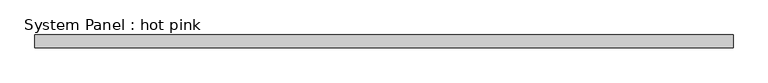
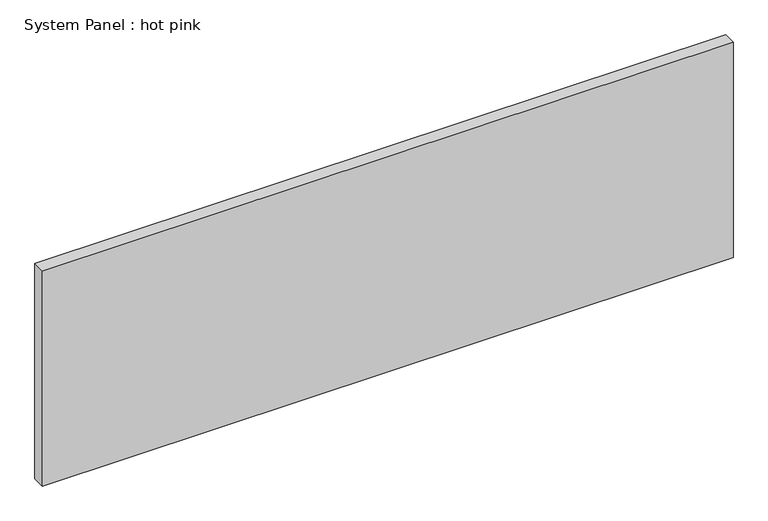
"""IFC4 building model written with IfcOpenShell, lengths in millimetres: plate geometry, System Panel : hot pink."""

import ifcopenshell
import ifcopenshell.guid

model = None  # the IFC model being written
_history = None  # IfcOwnerHistory: only IFC2X3 demands one
_inside = {}  # id of a spatial element -> (the spatial element, [elements in it])
_under = {}  # id of a project, library or spatial element -> (it, [spatial elements below it])
_declared = {}  # id of a project -> (the project, [libraries it declares])
_typed = {}  # id of a type object -> (the type object, [elements of that type])
_made_of = {}  # id of a material, layer set ... -> (it, [elements and type objects made of it])


def new_model(schema):
    """Start an empty IFC model of exactly this schema.

    Asked for "IFC4X3", IfcOpenShell would pick the latest addendum, in which some entities
    have other attributes; the version numbers below select the first issue.
    IFC2X3 requires an IfcOwnerHistory on every rooted entity: one is made here for all.
    """
    global model, _history
    if schema == "IFC4X3":
        model = ifcopenshell.file(schema_version=(4, 3, 0, 0))
    else:
        model = ifcopenshell.file(schema=schema)
    _inside.clear()
    _under.clear()
    _declared.clear()
    _typed.clear()
    _made_of.clear()
    _history = None
    if model.schema == "IFC2X3":
        org = make("IfcOrganization", Name="unknown")
        user = make(
            "IfcPersonAndOrganization",
            ThePerson=make("IfcPerson", FamilyName="unknown"),
            TheOrganization=org,
        )
        app = make(
            "IfcApplication",
            ApplicationDeveloper=org,
            Version="unknown",
            ApplicationFullName="unknown",
            ApplicationIdentifier="unknown",
        )
        _history = make(
            "IfcOwnerHistory",
            OwningUser=user,
            OwningApplication=app,
            ChangeAction="ADDED",
            CreationDate=0,
        )
    return model


def make(cls, **values):
    """One entity of the class cls with the attributes given. An attribute that is None is left unset."""
    return model.create_entity(
        cls, **{name: value for name, value in values.items() if value is not None}
    )


def rooted(cls, **values):
    """An entity with a GlobalId (a new one), such as an element, a storey or a relation."""
    return make(cls, GlobalId=ifcopenshell.guid.new(), OwnerHistory=_history, **values)


def si_unit(unit_type, name, prefix=None):
    """IfcSIUnit, for example si_unit("LENGTHUNIT", "METRE", prefix="MILLI")."""
    return make("IfcSIUnit", UnitType=unit_type, Prefix=prefix, Name=name)


def assignment(units):
    """IfcUnitAssignment: the units of a project."""
    return None if units is None else make("IfcUnitAssignment", Units=units)


def point(xyz):
    """IfcCartesianPoint."""
    return None if xyz is None else make("IfcCartesianPoint", Coordinates=xyz)


def direction(xyz):
    """IfcDirection."""
    return None if xyz is None else make("IfcDirection", DirectionRatios=xyz)


def frame(location, z_axis=None, x_axis=None):
    """IfcAxis2Placement3D, a coordinate frame: its origin and axes. An axis left out is left unset."""
    return make(
        "IfcAxis2Placement3D",
        Location=point(location),
        Axis=direction(z_axis),
        RefDirection=direction(x_axis),
    )


def origin():
    """The frame at (0, 0, 0) with its axes left unset."""
    return frame((0.0, 0.0, 0.0))


def origin_with_axes():
    """The frame at (0, 0, 0) with the z axis (0, 0, 1) and the x axis (1, 0, 0) written out."""
    return frame((0.0, 0.0, 0.0), z_axis=(0.0, 0.0, 1.0), x_axis=(1.0, 0.0, 0.0))


def place(relative_to, where):
    """IfcLocalPlacement: puts the frame where relative to a parent placement (None: the world)."""
    return make(
        "IfcLocalPlacement", PlacementRelTo=relative_to, RelativePlacement=where
    )


def context(
    kind, dimensions, precision=None, world=None, true_north=None, identifier=None
):
    """IfcGeometricRepresentationContext, for example the 3D "Model" context."""
    return make(
        "IfcGeometricRepresentationContext",
        ContextIdentifier=identifier,
        ContextType=kind,
        CoordinateSpaceDimension=dimensions,
        Precision=precision,
        WorldCoordinateSystem=world,
        TrueNorth=true_north,
    )


def project(units=None, contexts=None):
    """IfcProject with its units and contexts."""
    return rooted(
        "IfcProject",
        Name="project",
        RepresentationContexts=contexts,
        UnitsInContext=assignment(units),
    )


def spatial(cls, under=None, at=None, **own):
    """A site, building, storey or space (cls), placed at a placement, below another one or the project."""
    s = rooted(cls, ObjectPlacement=at, **own)
    if under is not None:
        _under.setdefault(under.id(), (under, []))[1].append(s)
    return s


def polyline(points):
    """IfcPolyline through the points."""
    return make("IfcPolyline", Points=[point(p) for p in points])


def outline(outer, holes=None, kind="AREA"):
    """IfcArbitraryClosedProfileDef: a profile drawn as a closed curve; with holes, ...WithVoids."""
    if holes is None:
        return make("IfcArbitraryClosedProfileDef", ProfileType=kind, OuterCurve=outer)
    return make(
        "IfcArbitraryProfileDefWithVoids",
        ProfileType=kind,
        OuterCurve=outer,
        InnerCurves=holes,
    )


def extrude(swept, where, along, depth):
    """IfcExtrudedAreaSolid: the profile swept, set in the frame where, extruded along a direction by depth."""
    return make(
        "IfcExtrudedAreaSolid",
        SweptArea=swept,
        Position=where,
        ExtrudedDirection=direction(along),
        Depth=depth,
    )


def shape(context_of_items, identifier, shape_type, items):
    """IfcShapeRepresentation: the items that make up one representation, for example the "Body"."""
    return make(
        "IfcShapeRepresentation",
        ContextOfItems=context_of_items,
        RepresentationIdentifier=identifier,
        RepresentationType=shape_type,
        Items=items,
    )


def source(mapping_origin, context_of_items, identifier, shape_type, items):
    """IfcRepresentationMap: a shape defined once, which mapped items show again and again."""
    return make(
        "IfcRepresentationMap",
        MappingOrigin=mapping_origin,
        MappedRepresentation=shape(context_of_items, identifier, shape_type, items),
    )


def transform(
    local_origin,
    x_axis=None,
    y_axis=None,
    z_axis=None,
    scale=None,
    scale2=None,
    scale3=None,
    uniform=True,
):
    """IfcCartesianTransformationOperator3D, or its non-uniform kind. x_axis, y_axis, z_axis: its Axis1, 2, 3."""
    if uniform:
        return make(
            "IfcCartesianTransformationOperator3D",
            Axis1=direction(x_axis),
            Axis2=direction(y_axis),
            LocalOrigin=point(local_origin),
            Scale=scale,
            Axis3=direction(z_axis),
        )
    return make(
        "IfcCartesianTransformationOperator3DnonUniform",
        Axis1=direction(x_axis),
        Axis2=direction(y_axis),
        LocalOrigin=point(local_origin),
        Scale=scale,
        Axis3=direction(z_axis),
        Scale2=scale2,
        Scale3=scale3,
    )


def mapped(mapping_source, mapping_target):
    """IfcMappedItem: shows the shape of a source again, moved by a transform."""
    return make(
        "IfcMappedItem", MappingSource=mapping_source, MappingTarget=mapping_target
    )


def made_of(thing, what):
    """Note that an element or type object is made of a material, layer set ...; save() writes the relation."""
    if what is not None:
        _made_of.setdefault(what.id(), (what, []))[1].append(thing)
    return thing


def element(
    cls,
    number,
    at=None,
    inside=None,
    cuts=None,
    type_object=None,
    material=None,
    context=None,
    identifier="Body",
    shape_type=None,
    held_by="IfcProductDefinitionShape",
    body=None,
    shapes=None,
    **own,
):
    """One element of the class cls, such as IfcWall. Its Tag is "e" and its number.

    at: its placement. inside: the storey or other place that contains it. cuts: it is an
    opening in that element (IfcRelVoidsElement). A single representation is given by context,
    identifier, shape_type and body (its items); several are given by shapes. held_by: the class
    of the entity that holds the representations. save() writes the other relations.
    """
    e = rooted(cls, Tag="e%d" % number, ObjectPlacement=at, **own)
    if body is not None:
        shapes = [shape(context, identifier, shape_type, body)]
    if shapes is not None:
        e.Representation = make(held_by, Representations=shapes)
    if inside is not None:
        _inside.setdefault(inside.id(), (inside, []))[1].append(e)
    if cuts is not None:
        rooted(
            "IfcRelVoidsElement", RelatingBuildingElement=cuts, RelatedOpeningElement=e
        )
    if type_object is not None:
        _typed.setdefault(type_object.id(), (type_object, []))[1].append(e)
    return made_of(e, material)


def aggregate(whole, parts):
    """IfcRelAggregates: a whole, such as a stair, and the parts it consists of."""
    return rooted("IfcRelAggregates", RelatingObject=whole, RelatedObjects=parts)


def save(model, path):
    """Write the relations noted so far, then the file.

    IfcRelAggregates (storeys below a building ...), IfcRelContainedInSpatialStructure (elements
    in a storey), IfcRelDefinesByType, IfcRelAssociatesMaterial and IfcRelDeclares: one each for
    every whole, place, type object, material and project.
    """
    for whole, parts in _under.values():
        aggregate(whole, parts)
    for where, things in _inside.values():
        rooted(
            "IfcRelContainedInSpatialStructure",
            RelatedElements=things,
            RelatingStructure=where,
        )
    for kind, things in _typed.values():
        rooted("IfcRelDefinesByType", RelatedObjects=things, RelatingType=kind)
    for what, things in _made_of.values():
        rooted("IfcRelAssociatesMaterial", RelatedObjects=things, RelatingMaterial=what)
    for by, libraries in _declared.values():
        rooted("IfcRelDeclares", RelatingContext=by, RelatedDefinitions=libraries)
    model.write(path)


def system_panel_hot_pink_0c42ce72(model_context):
    return source(origin(), model_context, "Body", "SweptSolid", [
        extrude(outline(polyline([(1703.4957867, -44.45), (-1703.4957867, -44.45), (-1703.4957867, 19.05), (1703.4957867, 19.05), (1703.4957867, -44.45)])), origin_with_axes(), (0.0, 0.0, 1.0), 1123.95),
    ])


if __name__ == "__main__":
    model = new_model("IFC4")
    model_context = context("Model", 3, world=origin())
    ifc_project = project(units=[si_unit("LENGTHUNIT", "METRE", prefix="MILLI")], contexts=[model_context])
    site = spatial("IfcSite", under=ifc_project)
    building = spatial("IfcBuilding", under=site)
    placement = place(None, origin())
    system_panel_hot_pink_shape = system_panel_hot_pink_0c42ce72(model_context)
    element("IfcPlate", 1, ObjectType="System Panel : hot pink", at=placement, inside=building, context=model_context, shape_type="MappedRepresentation", body=[
        mapped(system_panel_hot_pink_shape, transform((0.0, 0.0, 0.0), x_axis=(1.0, 0.0, 0.0), y_axis=(0.0, 1.0, 0.0), z_axis=(0.0, 0.0, 1.0))),
    ])
    save(model, "model.ifc")
